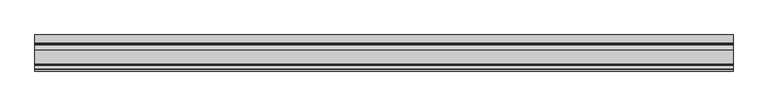
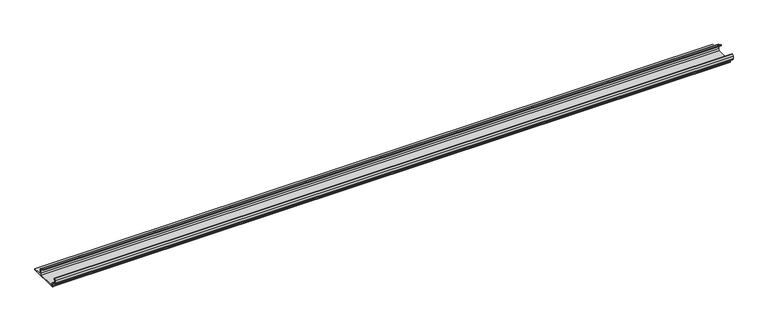
"""IFC4 building model written with IfcOpenShell, lengths in millimetres: proxy geometry."""

from ifc_helpers import new_model, si_unit, point, frame, frame_2d, origin, place, context, project, spatial, polyline, circle_curve, trimmed, segment, composite_curve, outline, extrude, source, transform, mapped, element, save


def generic_models_b786325b(model_context):
    return source(origin(), model_context, "Body", "SweptSolid", [
        extrude(outline(composite_curve([segment(trimmed(circle_curve(frame_2d((-62.6503601, 1.8496399)), 1.8496399), [point((-62.6503601, 0.0))], [point((-64.5, 1.8496399))], False, "CARTESIAN"), True, "CONTINUOUS"), segment(polyline([(-64.5, 1.8496399), (-64.5, 5.954427)]), True, "CONTINUOUS"), segment(trimmed(circle_curve(frame_2d((-66.20622, 5.954427)), 1.70622), [point((-64.5, 5.954427))], [point((-65.4316123, 7.4746802))], True, "CARTESIAN"), True, "CONTINUOUS"), segment(polyline([(-65.4316123, 7.4746802), (-72.6810737, 11.1684652)]), True, "CONTINUOUS"), segment(trimmed(circle_curve(frame_2d((-71.168691, 14.1366832)), 3.331309), [point((-72.6810737, 11.1684652))], [point((-74.5, 14.1366832))], False, "CARTESIAN"), True, "CONTINUOUS"), segment(polyline([(-74.5, 14.1366832), (-74.5, 20.1779423)]), True, "CONTINUOUS"), segment(trimmed(circle_curve(frame_2d((-71.9904423, 20.1779423)), 2.5095577), [point((-74.5, 20.1779423))], [point((-71.9904423, 22.6875))], False, "CARTESIAN"), True, "CONTINUOUS"), segment(polyline([(-71.9904423, 22.6875), (-70.5, 22.6875), (-70.5, 20.6875), (-71.7785709, 20.6875)]), True, "CONTINUOUS"), segment(trimmed(circle_curve(frame_2d((-71.7785709, 19.9660709)), 0.7214291), [point((-71.7785709, 20.6875))], [point((-72.5, 19.9660709))], True, "CARTESIAN"), True, "CONTINUOUS"), segment(polyline([(-72.5, 19.9660709), (-72.5, 14.7749524)]), True, "CONTINUOUS"), segment(trimmed(circle_curve(frame_2d((-70.1271304, 14.7749524)), 2.3728696), [point((-72.5, 14.7749524))], [point((-71.2043907, 12.6607101))], True, "CARTESIAN"), True, "CONTINUOUS"), segment(polyline([(-71.2043907, 12.6607101), (-64.0754216, 9.028319)]), True, "CONTINUOUS"), segment(trimmed(circle_curve(frame_2d((-65.3853373, 6.4574646)), 2.8853373), [point((-64.0754216, 9.028319))], [point((-62.5, 6.4574646))], False, "CARTESIAN"), True, "CONTINUOUS"), segment(polyline([(-62.5, 6.4574646), (-62.5, 4.1283032)]), True, "CONTINUOUS"), segment(trimmed(circle_curve(frame_2d((-60.3716968, 4.1283032)), 2.1283032), [point((-62.5, 4.1283032))], [point((-60.3716968, 2.0))], True, "CARTESIAN"), True, "CONTINUOUS"), segment(polyline([(-60.3716968, 2.0), (-24.1498681, 2.0)]), True, "CONTINUOUS"), segment(trimmed(circle_curve(frame_2d((-24.1498681, 4.6498681)), 2.6498681), [point((-24.1498681, 2.0))], [point((-21.5, 4.6498681))], True, "CARTESIAN"), True, "CONTINUOUS"), segment(polyline([(-21.5, 4.6498681), (-21.5, 11.0762745)]), True, "CONTINUOUS"), segment(trimmed(circle_curve(frame_2d((-24.2710864, 11.0762745)), 2.7710864), [point((-21.5, 11.0762745))], [point((-23.0130395, 13.5453305))], True, "CARTESIAN"), True, "CONTINUOUS"), segment(polyline([(-23.0130395, 13.5453305), (-31.0115672, 17.620784), (-31.0115672, 19.8654365), (-21.2217486, 14.8772747)]), True, "CONTINUOUS"), segment(trimmed(circle_curve(frame_2d((-22.6533308, 12.0676364)), 3.1533308), [point((-21.2217486, 14.8772747))], [point((-19.5, 12.0676364))], False, "CARTESIAN"), True, "CONTINUOUS"), segment(polyline([(-19.5, 12.0676364), (-19.5, 4.4365856)]), True, "CONTINUOUS"), segment(trimmed(circle_curve(frame_2d((-17.0634144, 4.4365856)), 2.4365856), [point((-19.5, 4.4365856))], [point((-17.0634144, 2.0))], True, "CARTESIAN"), True, "CONTINUOUS"), segment(polyline([(-17.0634144, 2.0), (0.0, 2.0), (0.0, 0.0), (-62.6503601, 0.0)]), True, "CONTINUOUS")], self_intersect=False)), frame((0.0, 0.0, 0.0), z_axis=(1.0, 0.0, 0.0), x_axis=(0.0, 1.0, 0.0)), (0.0, 0.0, 1.0), 1440.0),
    ])


if __name__ == "__main__":
    model = new_model("IFC4")
    model_context = context("Model", 3, world=origin())
    ifc_project = project(units=[si_unit("LENGTHUNIT", "METRE", prefix="MILLI")], contexts=[model_context])
    site = spatial("IfcSite", under=ifc_project)
    building = spatial("IfcBuilding", under=site)
    placement = place(None, origin())
    generic_models_shape = generic_models_b786325b(model_context)
    element("IfcBuildingElementProxy", 1, Name="Generic Models", at=placement, inside=building, context=model_context, shape_type="MappedRepresentation", body=[
        mapped(generic_models_shape, transform((0.0, 0.0, 0.0), x_axis=(1.0, 0.0, 0.0), y_axis=(0.0, 1.0, 0.0), z_axis=(0.0, 0.0, 1.0))),
    ])
    save(model, "model.ifc")
